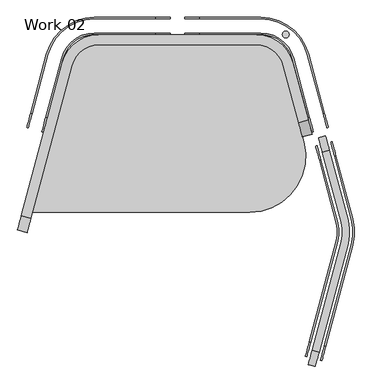
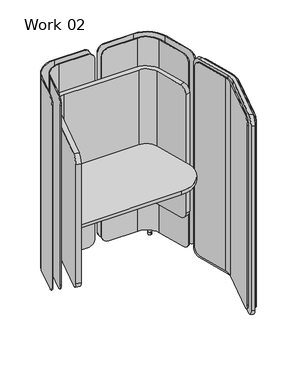
"""IFC4 building model written with IfcOpenShell, lengths in millimetres: furniture geometry, Work 02."""

from ifc_helpers import new_model, si_unit, point, frame, frame_2d, origin, origin_with_axes, place, context, project, spatial, polyline, circle_curve, trimmed, segment, composite_curve, outline, extrude, source, transform, mapped, element, save
from ifc_brep_helpers import plane_surface, cylinder_surface, revolved_surface, advanced_brep


def work_02_071806c3(model_context):
    return source(origin(), model_context, "Body", "SolidModel", [
        extrude(outline(composite_curve([segment(polyline([(847.7840541, -663.0), (108.5618328, -663.0), (242.3763331, -163.597486)]), True, "CONTINUOUS"), segment(trimmed(circle_curve(frame_2d((334.3807681, -188.25)), 95.25), [point((242.3763331, -163.597486))], [point((334.3807681, -93.0))], False, "CARTESIAN"), True, "CONTINUOUS"), segment(polyline([(334.3807681, -93.0), (870.2295523, -93.0)]), True, "CONTINUOUS"), segment(trimmed(circle_curve(frame_2d((870.2295523, -188.25)), 95.25), [point((870.2295523, -93.0))], [point((962.2339873, -163.597486))], False, "CARTESIAN"), True, "CONTINUOUS"), segment(polyline([(962.2339873, -163.597486), (1031.792924, -423.1949719)]), True, "CONTINUOUS"), segment(trimmed(circle_curve(frame_2d((847.7840541, -472.5)), 190.5), [point((1031.792924, -423.1949719))], [point((847.7840541, -663.0))], False, "CARTESIAN"), True, "CONTINUOUS")], self_intersect=False)), frame((0.0, 0.0, 705.0), z_axis=(0.0, 0.0, 1.0), x_axis=(1.0, 0.0, 0.0)), (0.0, 0.0, 1.0), 25.0),
        advanced_brep(
        [(102.9832503, -683.8195534, 1295.0), (90.042298, -732.1158447, 1245.0), (90.042298, -732.1158447, 345.0), (102.9832503, -683.8195534, 295.0), (242.3763331, -163.597486, 295.0), (242.3763331, -163.597486, 1295.0), (70.1417722, -675.0197058, 295.0), (57.2008199, -723.3159972, 345.0), (57.2008199, -723.3159972, 1245.0), (70.1417722, -675.0197058, 1295.0), (209.5845047, -154.6123432, 1295.0), (209.5845047, -154.6123432, 295.0), (334.3807681, -93.0, 1295.0), (870.2295523, -93.0, 1295.0), (962.2339873, -163.597486, 1295.0), (1014.2639422, -357.7759213, 1295.0), (1047.1054203, -348.9760738, 1295.0), (995.0258157, -154.6123432, 1295.0), (870.4213841, -59.0, 1295.0), (334.1889363, -59.0, 1295.0), (334.1889363, -59.0, 295.0), (557.3827236, -59.0, 295.0), (557.3827236, -93.0, 295.0), (334.3807681, -93.0, 295.0), (577.7027236, -93.0, 315.32), (577.7027236, -93.0, 635.0), (627.7027236, -93.0, 635.0), (627.7027236, -93.0, 315.32), (648.0227236, -93.0, 295.0), (870.2295523, -93.0, 295.0), (870.4213841, -59.0, 295.0), (648.0227236, -59.0, 295.0), (627.7027236, -59.0, 315.32), (627.7027236, -59.0, 635.0), (577.7027236, -59.0, 635.0), (577.7027236, -59.0, 315.32), (995.0258157, -154.6123432, 295.0), (1047.1054203, -348.9760738, 295.0), (1014.2639422, -357.7759213, 295.0), (962.2339873, -163.597486, 295.0), (1027.2048945, -406.0722126, 345.0), (1027.2048945, -406.0722126, 1245.0), (1060.0463726, -397.2723651, 1245.0), (1060.0463726, -397.2723651, 345.0)],
        [
            (0, 1, circle_curve(frame((102.9832503, -683.8195534, 1245.0), z_axis=(0.9659258262896977, -0.25881904510017184, 0.0), x_axis=(-0.25881904510017184, -0.9659258262896977, 0.0)), 50.0)),
            (1, 2),
            (2, 3, circle_curve(frame((102.9832503, -683.8195534, 345.0), z_axis=(0.9659258262896977, -0.25881904510017184, 0.0), x_axis=(-0.25881904510017184, -0.9659258262896977, 0.0)), 50.0)),
            (3, 4),
            (4, 5),
            (5, 0),
            (6, 7, circle_curve(frame((70.1417722, -675.0197058, 345.0), z_axis=(-0.9659258262896977, 0.25881904510017184, 0.0), x_axis=(-0.25881904510017184, -0.9659258262896977, 0.0)), 50.0)),
            (7, 8),
            (8, 9, circle_curve(frame((70.1417722, -675.0197058, 1245.0), z_axis=(-0.9659258262896977, 0.25881904510017184, 0.0), x_axis=(-0.25881904510017184, -0.9659258262896977, 0.0)), 50.0)),
            (9, 10),
            (10, 11),
            (11, 6),
            (9, 0),
            (5, 12, circle_curve(frame((334.3807681, -188.25, 1295.0), z_axis=(0.0, 0.0, -1.0), x_axis=(1.0, 0.0, 0.0)), 95.25)),
            (12, 13),
            (13, 14, circle_curve(frame((870.2295523, -188.25, 1295.0), z_axis=(0.0, 0.0, -1.0), x_axis=(-1.0, 0.0, 0.0)), 95.25)),
            (14, 15),
            (15, 16),
            (16, 17),
            (17, 18, circle_curve(frame((870.4213841, -188.0, 1295.0), z_axis=(0.0, 0.0, 1.0), x_axis=(-1.0, 0.0, 0.0)), 129.0)),
            (18, 19),
            (19, 10, circle_curve(frame((334.1889363, -188.0, 1295.0), z_axis=(0.0, 0.0, 1.0), x_axis=(1.0, 0.0, 0.0)), 129.0)),
            (8, 1),
            (7, 2),
            (6, 3),
            (11, 20, circle_curve(frame((334.1889363, -188.0, 295.0), z_axis=(0.0, 0.0, -1.0), x_axis=(1.0, 0.0, 0.0)), 129.0)),
            (20, 21),
            (21, 22),
            (22, 23),
            (23, 4, circle_curve(frame((334.3807681, -188.25, 295.0), z_axis=(0.0, 0.0, 1.0), x_axis=(1.0, 0.0, 0.0)), 95.25)),
            (23, 12),
            (22, 24, circle_curve(frame((557.3827236, -93.0, 315.32), z_axis=(0.0, -1.0, 0.0), x_axis=(1.0, 0.0, 0.0)), 20.32)),
            (24, 25),
            (25, 26, circle_curve(frame((602.7027236, -93.0, 635.0), z_axis=(0.0, 1.0, 0.0), x_axis=(1.0, 0.0, 0.0)), 25.0)),
            (26, 27),
            (27, 28, circle_curve(frame((648.0227236, -93.0, 315.32), z_axis=(0.0, -1.0, 0.0), x_axis=(1.0, 0.0, 0.0)), 20.32)),
            (28, 29),
            (29, 13),
            (20, 19),
            (18, 30),
            (30, 31),
            (31, 32, circle_curve(frame((648.0227236, -59.0, 315.32), z_axis=(0.0, 1.0, 0.0), x_axis=(1.0, 0.0, 0.0)), 20.32)),
            (32, 33),
            (33, 34, circle_curve(frame((602.7027236, -59.0, 635.0), z_axis=(0.0, -1.0, 0.0), x_axis=(1.0, 0.0, 0.0)), 25.0)),
            (34, 35),
            (35, 21, circle_curve(frame((557.3827236, -59.0, 315.32), z_axis=(0.0, 1.0, 0.0), x_axis=(1.0, 0.0, 0.0)), 20.32)),
            (35, 24),
            (34, 25),
            (33, 26),
            (32, 27),
            (31, 28),
            (30, 36, circle_curve(frame((870.4213841, -188.0, 295.0), z_axis=(0.0, 0.0, -1.0), x_axis=(-1.0, 0.0, 0.0)), 129.0)),
            (36, 37),
            (37, 38),
            (38, 39),
            (39, 29, circle_curve(frame((870.2295523, -188.25, 295.0), z_axis=(0.0, 0.0, 1.0), x_axis=(-1.0, 0.0, 0.0)), 95.25)),
            (14, 39),
            (38, 40, circle_curve(frame((1014.2639422, -357.7759213, 345.0), z_axis=(-0.9659258262896977, -0.25881904510017184, 0.0), x_axis=(0.25881904510017184, -0.9659258262896977, 0.0)), 50.0)),
            (40, 41),
            (41, 15, circle_curve(frame((1014.2639422, -357.7759213, 1245.0), z_axis=(-0.9659258262896977, -0.25881904510017184, 0.0), x_axis=(0.25881904510017184, -0.9659258262896977, 0.0)), 50.0)),
            (17, 36),
            (16, 42, circle_curve(frame((1047.1054203, -348.9760738, 1245.0), z_axis=(0.9659258262896977, 0.25881904510017184, 0.0), x_axis=(0.25881904510017184, -0.9659258262896977, 0.0)), 50.0)),
            (42, 43),
            (43, 37, circle_curve(frame((1047.1054203, -348.9760738, 345.0), z_axis=(0.9659258262896977, 0.25881904510017184, 0.0), x_axis=(0.25881904510017184, -0.9659258262896977, 0.0)), 50.0)),
            (41, 42),
            (40, 43),
        ],
        [
            plane_surface(frame((102.9832503, -683.8195534, 1295.0), z_axis=(0.9659258262896978, -0.25881904510017184, 0.0), x_axis=(-0.25881904510017184, -0.9659258262896978, 0.0))),
            plane_surface(frame((70.1417722, -675.0197058, 1295.0), z_axis=(-0.9659258262896978, 0.25881904510017184, 0.0), x_axis=(0.25881904510017184, 0.9659258262896978, 0.0))),
            plane_surface(frame((108.066369, -664.8490962, 1295.0), z_axis=(0.0, 0.0, 1.0), x_axis=(-0.9659258262896979, 0.2588190451001711, 0.0))),
            cylinder_surface(frame((70.1417722, -675.0197058, 1245.0), z_axis=(0.9659258262896977, -0.25881904510017184, 0.0), x_axis=(-0.25881904510017184, -0.9659258262896977, 0.0)), 50.0),
            plane_surface(frame((90.042298, -732.1158447, 1245.0), z_axis=(-0.2588190451001711, -0.9659258262896979, 0.0), x_axis=(-0.9659258262896979, 0.2588190451001711, 0.0))),
            cylinder_surface(frame((70.1417722, -675.0197058, 345.0), z_axis=(0.9659258262896977, -0.25881904510017184, 0.0), x_axis=(-0.25881904510017184, -0.9659258262896977, 0.0)), 50.0),
            plane_surface(frame((102.9832503, -683.8195534, 295.0), z_axis=(0.0, 0.0, -1.0), x_axis=(-0.9659258262896979, 0.2588190451001711, 0.0))),
            revolved_surface(polyline([(429.6307681, -188.25, 295.0), (429.6307681, -188.25, 1295.0)]), (334.3807681, -188.25, 295.0), (0.0, 0.0, -1.0)),
            plane_surface(frame((334.3807681, -93.0, 1295.0), z_axis=(0.0, -1.0, 0.0), x_axis=(0.0, 0.0, -1.0))),
            plane_surface(frame((454.8389363, -59.0, 1295.0), z_axis=(0.0, 1.0, 0.0), x_axis=(0.0, 0.0, -1.0))),
            cylinder_surface(frame((334.1889363, -188.0, 295.0), z_axis=(0.0, 0.0, 1.0), x_axis=(1.0, 0.0, 0.0)), 129.0),
            cylinder_surface(frame((557.3827236, -59.0, 315.32), z_axis=(0.0, -1.0, 0.0), x_axis=(1.0, 0.0, 0.0)), 20.32),
            plane_surface(frame((577.7027236, -93.0, 315.32), z_axis=(1.0, 0.0, 0.0), x_axis=(0.0, 1.0, 0.0))),
            revolved_surface(polyline([(627.7027236, -59.0, 635.0), (627.7027236, -93.0, 635.0)]), (602.7027236, -59.0, 635.0), (0.0, 1.0, 0.0)),
            plane_surface(frame((627.7027236, -93.0, 635.0), z_axis=(-1.0, 0.0, 0.0), x_axis=(0.0, 1.0, 0.0))),
            cylinder_surface(frame((648.0227236, -59.0, 315.32), z_axis=(0.0, -1.0, 0.0), x_axis=(1.0, 0.0, 0.0)), 20.32),
            plane_surface(frame((648.0227236, -93.0, 295.0), z_axis=(0.0, 0.0, -1.0), x_axis=(0.0, 1.0, 0.0))),
            plane_surface(frame((962.2339873, -163.597486, 1295.0), z_axis=(-0.9659258262890684, -0.2588190451025206, 0.0), x_axis=(0.0, 0.0, -1.0))),
            revolved_surface(polyline([(774.9795523, -188.25, 295.0), (774.9795523, -188.25, 1295.0)]), (870.2295523, -188.25, 295.0), (0.0, 0.0, -1.0)),
            cylinder_surface(frame((870.4213841, -188.0, 295.0), z_axis=(0.0, 0.0, 1.0), x_axis=(-1.0, 0.0, 0.0)), 129.0),
            plane_surface(frame((1042.0223016, -330.0056166, 1295.0), z_axis=(0.965925826289069, 0.2588190451025183, 0.0), x_axis=(0.0, 0.0, -1.0))),
            cylinder_surface(frame((1047.1054203, -348.9760738, 1245.0), z_axis=(-0.9659258262896977, -0.25881904510017184, 0.0), x_axis=(0.25881904510017184, -0.9659258262896977, 0.0)), 50.0),
            plane_surface(frame((1027.2048945, -406.0722126, 345.0), z_axis=(0.2588190451001715, -0.9659258262896979, 0.0), x_axis=(0.9659258262896979, 0.2588190451001715, 0.0))),
            cylinder_surface(frame((1047.1054203, -348.9760738, 345.0), z_axis=(-0.9659258262896977, -0.25881904510017184, 0.0), x_axis=(0.25881904510017184, -0.9659258262896977, 0.0)), 50.0),
        ],
        [
            (0, [[1, 2, 3, 4, 5, 6]]),
            (1, [[7, 8, 9, 10, 11, 12]]),
            (2, [[13, -6, 14, 15, 16, 17, 18, 19, 20, 21, 22, -10]]),
            (3, [[-1, -13, -9, 23]]),
            (4, [[-2, -23, -8, 24]]),
            (5, [[-3, -24, -7, 25]]),
            (6, [[-25, -12, 26, 27, 28, 29, 30, -4]]),
            (7, [[-14, -5, -30, 31]]),
            (8, [[-31, -29, 32, 33, 34, 35, 36, 37, 38, -15]]),
            (9, [[39, -21, 40, 41, 42, 43, 44, 45, 46, -27]]),
            (10, [[-22, -39, -26, -11]]),
            (11, [[-32, -28, -46, 47]]),
            (12, [[-33, -47, -45, 48]]),
            (13, [[-34, -48, -44, 49]]),
            (14, [[-35, -49, -43, 50]]),
            (15, [[-36, -50, -42, 51]]),
            (16, [[-51, -41, 52, 53, 54, 55, 56, -37]]),
            (17, [[-17, 57, -55, 58, 59, 60]]),
            (18, [[-16, -38, -56, -57]]),
            (19, [[-20, 61, -52, -40]]),
            (20, [[-19, 62, 63, 64, -53, -61]]),
            (21, [[-60, 65, -62, -18]]),
            (22, [[-59, 66, -63, -65]]),
            (23, [[-58, -54, -64, -66]]),
        ],
    ),
        extrude(outline(composite_curve([segment(trimmed(circle_curve(frame_2d((970.6247603, -57.9305324)), 11.5), [point((970.6247603, -46.4305324))], [point((970.6247603, -69.4305324))], False, "CARTESIAN"), True, "CONTINUOUS"), segment(trimmed(circle_curve(frame_2d((970.6247603, -57.9305324)), 11.5), [point((970.6247603, -69.4305324))], [point((970.6247603, -46.4305324))], False, "CARTESIAN"), True, "CONTINUOUS")], self_intersect=False)), origin_with_axes(), (0.0, 0.0, 1.0), 20.0),
        advanced_brep(
        [(1147.4532712, -761.9652523, 1510.0), (1147.4532712, -698.8134053, 1510.0), (1090.3338996, -485.6410083, 1510.0), (1085.5042705, -486.9351036, 1510.0), (1142.6236421, -700.1075005, 1510.0), (1142.6236421, -760.671157, 1510.0), (1050.5636994, -1104.2435405, 1510.0), (1055.3933285, -1105.5376357, 1510.0), (1142.6236421, -760.671157, 50.0), (1142.6236421, -700.1075005, 50.0), (1085.5042705, -486.9351036, 50.0), (1090.3338996, -485.6410083, 50.0), (1147.4532712, -698.8134053, 50.0), (1147.4532712, -761.9652523, 50.0), (1055.3933285, -1105.5376357, 50.0), (1050.5636994, -1104.2435405, 50.0), (1037.4156919, -1153.3125725, 100.8), (1037.4156919, -1153.3125725, 1459.2), (1072.356263, -437.8660716, 1459.2), (1072.356263, -437.8660716, 100.8), (1077.1858921, -436.5719764, 100.8), (1077.1858921, -436.5719764, 1459.2), (1042.245321, -1154.6066677, 1459.2), (1042.245321, -1154.6066677, 100.8)],
        [
            (0, 1, circle_curve(frame((1029.6103204, -730.3893288, 1510.0), z_axis=(0.0, 0.0, 1.0), x_axis=(-1.0, 0.0, 0.0)), 122.0)),
            (1, 2),
            (2, 3),
            (3, 4),
            (4, 5, circle_curve(frame((1029.6103204, -730.3893288, 1510.0), z_axis=(0.0, 0.0, -1.0), x_axis=(-1.0, 0.0, 0.0)), 117.0)),
            (5, 6),
            (6, 7),
            (7, 0),
            (8, 9, circle_curve(frame((1029.6103204, -730.3893288, 50.0), z_axis=(0.0, 0.0, 1.0), x_axis=(-1.0, 0.0, 0.0)), 117.0)),
            (9, 10),
            (10, 11),
            (11, 12),
            (12, 13, circle_curve(frame((1029.6103204, -730.3893288, 50.0), z_axis=(0.0, 0.0, -1.0), x_axis=(-1.0, 0.0, 0.0)), 122.0)),
            (13, 14),
            (14, 15),
            (15, 8),
            (5, 8),
            (15, 16, circle_curve(frame((1050.5636994, -1104.2435405, 100.8), z_axis=(-0.9659258262890695, 0.25881904510251647, 0.0), x_axis=(0.25881904510251647, 0.9659258262890695, 0.0)), 50.8)),
            (16, 17),
            (17, 6, circle_curve(frame((1050.5636994, -1104.2435405, 1459.2), z_axis=(-0.9659258262890695, 0.25881904510251647, 0.0), x_axis=(0.25881904510251647, 0.9659258262890695, 0.0)), 50.8)),
            (4, 9),
            (3, 18, circle_curve(frame((1085.5042705, -486.9351036, 1459.2), z_axis=(-0.9659258262890681, -0.2588190451025218, 0.0), x_axis=(0.2588190451025218, -0.9659258262890681, 0.0)), 50.8)),
            (18, 19),
            (19, 10, circle_curve(frame((1085.5042705, -486.9351036, 100.8), z_axis=(-0.9659258262890681, -0.2588190451025218, 0.0), x_axis=(0.2588190451025218, -0.9659258262890681, 0.0)), 50.8)),
            (1, 12),
            (11, 20, circle_curve(frame((1090.3338996, -485.6410083, 100.8), z_axis=(0.9659258262890681, 0.2588190451025218, 0.0), x_axis=(0.2588190451025218, -0.9659258262890681, 0.0)), 50.8)),
            (20, 21),
            (21, 2, circle_curve(frame((1090.3338996, -485.6410083, 1459.2), z_axis=(0.9659258262890681, 0.2588190451025218, 0.0), x_axis=(0.2588190451025218, -0.9659258262890681, 0.0)), 50.8)),
            (0, 13),
            (7, 22, circle_curve(frame((1055.3933285, -1105.5376357, 1459.2), z_axis=(0.9659258262890695, -0.25881904510251647, 0.0), x_axis=(0.25881904510251647, 0.9659258262890695, 0.0)), 50.8)),
            (22, 23),
            (23, 14, circle_curve(frame((1055.3933285, -1105.5376357, 100.8), z_axis=(0.9659258262890695, -0.25881904510251647, 0.0), x_axis=(0.25881904510251647, 0.9659258262890695, 0.0)), 50.8)),
            (19, 20),
            (21, 18),
            (23, 16),
            (17, 22),
        ],
        [
            plane_surface(frame((1042.245321, -1154.6066677, 1510.0), z_axis=(0.0, 0.0, 1.0000000000000002), x_axis=(0.25881904510384085, 0.9659258262887147, 0.0))),
            plane_surface(frame((1042.245321, -1154.6066677, 50.0), z_axis=(0.0, 0.0, -1.0000000000000002), x_axis=(-0.25881904510384085, -0.9659258262887147, 0.0))),
            plane_surface(frame((1142.6236421, -760.671157, 1510.0), z_axis=(-0.9659258262887147, 0.2588190451038404, 0.0), x_axis=(0.0, 0.0, -1.0))),
            revolved_surface(polyline([(912.6103204000001, -730.3893288, 50.0), (912.6103204000001, -730.3893288, 1510.0)]), (1029.6103204, -730.3893288, 50.0), (0.0, 0.0, -1.0)),
            plane_surface(frame((1095.3627005, -523.7272655, 1510.0), z_axis=(-0.9659258262894252, -0.2588190451011891, 0.0), x_axis=(0.0, 0.0, -1.0))),
            plane_surface(frame((1147.4532712, -698.8134053, 1510.0), z_axis=(0.9659258262894252, 0.25881904510118886, 0.0), x_axis=(0.0, 0.0, -1.0))),
            cylinder_surface(frame((1029.6103204, -730.3893288, 50.0), z_axis=(0.0, 0.0, 1.0), x_axis=(-1.0, 0.0, 0.0)), 122.0),
            plane_surface(frame((1065.2517586, -1068.7454738, 1510.0), z_axis=(0.9659258262887147, -0.25881904510384085, 0.0), x_axis=(0.0, 0.0, -1.0))),
            cylinder_surface(frame((1085.5042705, -486.9351036, 100.8), z_axis=(0.9659258262890681, 0.2588190451025218, 0.0), x_axis=(0.2588190451025218, -0.9659258262890681, 0.0)), 50.8),
            cylinder_surface(frame((1085.5042705, -486.9351036, 1459.2), z_axis=(0.9659258262890681, 0.2588190451025218, 0.0), x_axis=(0.2588190451025218, -0.9659258262890681, 0.0)), 50.8),
            plane_surface(frame((1077.1858921, -436.5719764, 100.8), z_axis=(-0.25881904510251935, 0.9659258262890688, 0.0), x_axis=(-0.9659258262890688, -0.25881904510251935, 0.0))),
            cylinder_surface(frame((1050.5636994, -1104.2435405, 100.8), z_axis=(0.9659258262890695, -0.25881904510251647, 0.0), x_axis=(0.25881904510251647, 0.9659258262890695, 0.0)), 50.8),
            cylinder_surface(frame((1050.5636994, -1104.2435405, 1459.2), z_axis=(0.9659258262890695, -0.25881904510251647, 0.0), x_axis=(0.25881904510251647, 0.9659258262890695, 0.0)), 50.8),
            plane_surface(frame((1042.245321, -1154.6066677, 1459.2), z_axis=(-0.25881904510251935, -0.9659258262890688, 0.0), x_axis=(-0.9659258262890688, 0.25881904510251935, 0.0))),
        ],
        [
            (0, [[1, 2, 3, 4, 5, 6, 7, 8]]),
            (1, [[9, 10, 11, 12, 13, 14, 15, 16]]),
            (2, [[-6, 17, -16, 18, 19, 20]]),
            (3, [[-5, 21, -9, -17]]),
            (4, [[-21, -4, 22, 23, 24, -10]]),
            (5, [[25, -12, 26, 27, 28, -2]]),
            (6, [[-1, 29, -13, -25]]),
            (7, [[-8, 30, 31, 32, -14, -29]]),
            (8, [[-26, -11, -24, 33]]),
            (9, [[-28, 34, -22, -3]]),
            (10, [[-27, -33, -23, -34]]),
            (11, [[-32, 35, -18, -15]]),
            (12, [[-30, -7, -20, 36]]),
            (13, [[-31, -36, -19, -35]]),
        ],
    ),
        advanced_brep(
        [(1198.64734, -775.6826617, 1510.0), (1198.64734, -685.0959959, 1510.0), (1141.5279684, -471.923599, 1510.0), (1136.6983393, -473.2176942, 1510.0), (1193.8177109, -686.3900911, 1510.0), (1193.8177109, -774.3885664, 1510.0), (1101.7577682, -1117.9609499, 1510.0), (1106.5873973, -1119.2550451, 1510.0), (1193.8177109, -774.3885664, 50.0), (1193.8177109, -686.3900911, 50.0), (1136.6983393, -473.2176942, 50.0), (1141.5279684, -471.923599, 50.0), (1198.64734, -685.0959959, 50.0), (1198.64734, -775.6826617, 50.0), (1106.5873973, -1119.2550451, 50.0), (1101.7577682, -1117.9609499, 50.0), (1088.6097607, -1167.0299819, 100.8), (1088.6097607, -1167.0299819, 1459.2), (1123.5503318, -424.1486622, 1459.2), (1123.5503318, -424.1486622, 100.8), (1128.3799609, -422.854567, 100.8), (1128.3799609, -422.854567, 1459.2), (1093.4393898, -1168.3240771, 1459.2), (1093.4393898, -1168.3240771, 100.8)],
        [
            (0, 1, circle_curve(frame((1029.6103204, -730.3893288, 1510.0), z_axis=(0.0, 0.0, 1.0), x_axis=(-1.0, 0.0, 0.0)), 175.0)),
            (1, 2),
            (2, 3),
            (3, 4),
            (4, 5, circle_curve(frame((1029.6103204, -730.3893288, 1510.0), z_axis=(0.0, 0.0, -1.0), x_axis=(-1.0, 0.0, 0.0)), 170.0)),
            (5, 6),
            (6, 7),
            (7, 0),
            (8, 9, circle_curve(frame((1029.6103204, -730.3893288, 50.0), z_axis=(0.0, 0.0, 1.0), x_axis=(-1.0, 0.0, 0.0)), 170.0)),
            (9, 10),
            (10, 11),
            (11, 12),
            (12, 13, circle_curve(frame((1029.6103204, -730.3893288, 50.0), z_axis=(0.0, 0.0, -1.0), x_axis=(-1.0, 0.0, 0.0)), 175.0)),
            (13, 14),
            (14, 15),
            (15, 8),
            (5, 8),
            (15, 16, circle_curve(frame((1101.7577682, -1117.9609499, 100.8), z_axis=(-0.9659258262890695, 0.25881904510251647, 0.0), x_axis=(0.25881904510251647, 0.9659258262890695, 0.0)), 50.8)),
            (16, 17),
            (17, 6, circle_curve(frame((1101.7577682, -1117.9609499, 1459.2), z_axis=(-0.9659258262890695, 0.25881904510251647, 0.0), x_axis=(0.25881904510251647, 0.9659258262890695, 0.0)), 50.8)),
            (4, 9),
            (3, 18, circle_curve(frame((1136.6983393, -473.2176942, 1459.2), z_axis=(-0.9659258262890681, -0.2588190451025218, 0.0), x_axis=(0.2588190451025218, -0.9659258262890681, 0.0)), 50.8)),
            (18, 19),
            (19, 10, circle_curve(frame((1136.6983393, -473.2176942, 100.8), z_axis=(-0.9659258262890681, -0.2588190451025218, 0.0), x_axis=(0.2588190451025218, -0.9659258262890681, 0.0)), 50.8)),
            (1, 12),
            (11, 20, circle_curve(frame((1141.5279684, -471.923599, 100.8), z_axis=(0.9659258262890681, 0.2588190451025218, 0.0), x_axis=(0.2588190451025218, -0.9659258262890681, 0.0)), 50.8)),
            (20, 21),
            (21, 2, circle_curve(frame((1141.5279684, -471.923599, 1459.2), z_axis=(0.9659258262890681, 0.2588190451025218, 0.0), x_axis=(0.2588190451025218, -0.9659258262890681, 0.0)), 50.8)),
            (0, 13),
            (7, 22, circle_curve(frame((1106.5873973, -1119.2550451, 1459.2), z_axis=(0.9659258262890695, -0.25881904510251647, 0.0), x_axis=(0.25881904510251647, 0.9659258262890695, 0.0)), 50.8)),
            (22, 23),
            (23, 14, circle_curve(frame((1106.5873973, -1119.2550451, 100.8), z_axis=(0.9659258262890695, -0.25881904510251647, 0.0), x_axis=(0.25881904510251647, 0.9659258262890695, 0.0)), 50.8)),
            (19, 20),
            (21, 18),
            (23, 16),
            (17, 22),
        ],
        [
            plane_surface(frame((1093.4393898, -1168.3240771, 1510.0), z_axis=(0.0, 0.0, 1.0), x_axis=(0.25881904510384074, 0.9659258262887146, 0.0))),
            plane_surface(frame((1093.4393898, -1168.3240771, 50.0), z_axis=(0.0, 0.0, -1.0), x_axis=(-0.25881904510384074, -0.9659258262887146, 0.0))),
            plane_surface(frame((1193.8177109, -774.3885664, 1510.0), z_axis=(-0.9659258262887148, 0.25881904510384024, 0.0), x_axis=(0.0, 0.0, -1.0))),
            revolved_surface(polyline([(859.6103204000001, -730.3893288, 50.0), (859.6103204000001, -730.3893288, 1510.0)]), (1029.6103204, -730.3893288, 50.0), (0.0, 0.0, -1.0)),
            plane_surface(frame((1146.5567693, -510.0098561, 1510.0), z_axis=(-0.9659258262894251, -0.25881904510118914, 0.0), x_axis=(0.0, 0.0, -1.0))),
            plane_surface(frame((1198.64734, -685.0959959, 1510.0), z_axis=(0.9659258262894252, 0.2588190451011886, 0.0), x_axis=(0.0, 0.0, -1.0))),
            cylinder_surface(frame((1029.6103204, -730.3893288, 50.0), z_axis=(0.0, 0.0, 1.0), x_axis=(-1.0, 0.0, 0.0)), 175.0),
            plane_surface(frame((1116.4458274, -1082.4628832, 1510.0), z_axis=(0.9659258262887146, -0.25881904510384074, 0.0), x_axis=(0.0, 0.0, -1.0))),
            cylinder_surface(frame((1136.6983393, -473.2176942, 100.8), z_axis=(0.9659258262890681, 0.2588190451025218, 0.0), x_axis=(0.2588190451025218, -0.9659258262890681, 0.0)), 50.8),
            cylinder_surface(frame((1136.6983393, -473.2176942, 1459.2), z_axis=(0.9659258262890681, 0.2588190451025218, 0.0), x_axis=(0.2588190451025218, -0.9659258262890681, 0.0)), 50.8),
            plane_surface(frame((1128.3799609, -422.854567, 100.8), z_axis=(-0.258819045102527, 0.9659258262890666, 0.0), x_axis=(-0.9659258262890666, -0.258819045102527, 0.0))),
            cylinder_surface(frame((1101.7577682, -1117.9609499, 100.8), z_axis=(0.9659258262890695, -0.25881904510251647, 0.0), x_axis=(0.25881904510251647, 0.9659258262890695, 0.0)), 50.8),
            cylinder_surface(frame((1101.7577682, -1117.9609499, 1459.2), z_axis=(0.9659258262890695, -0.25881904510251647, 0.0), x_axis=(0.25881904510251647, 0.9659258262890695, 0.0)), 50.8),
            plane_surface(frame((1093.4393898, -1168.3240771, 1459.2), z_axis=(-0.2588190451025144, -0.9659258262890701, 0.0), x_axis=(-0.9659258262890701, 0.2588190451025144, 0.0))),
        ],
        [
            (0, [[1, 2, 3, 4, 5, 6, 7, 8]]),
            (1, [[9, 10, 11, 12, 13, 14, 15, 16]]),
            (2, [[-6, 17, -16, 18, 19, 20]]),
            (3, [[-5, 21, -9, -17]]),
            (4, [[-21, -4, 22, 23, 24, -10]]),
            (5, [[25, -12, 26, 27, 28, -2]]),
            (6, [[-1, 29, -13, -25]]),
            (7, [[-8, 30, 31, 32, -14, -29]]),
            (8, [[-26, -11, -24, 33]]),
            (9, [[-28, 34, -22, -3]]),
            (10, [[-27, -33, -23, -34]]),
            (11, [[-32, 35, -18, -15]]),
            (12, [[-30, -7, -20, 36]]),
            (13, [[-31, -36, -19, -35]]),
        ],
    ),
        advanced_brep(
        [(885.3981602, -5.0, 1510.0), (1043.8099957, -126.5536766, 1510.0), (1097.461372, -326.7833389, 1510.0), (1102.2910012, -325.4892437, 1510.0), (1048.6396248, -125.2595814, 1510.0), (885.3981602, 0.0, 1510.0), (678.1051602, 0.0, 1510.0), (678.1051602, -5.0, 1510.0), (885.3981602, 0.0, 50.0), (1048.6396248, -125.2595814, 50.0), (1102.2910012, -325.4892437, 50.0), (1097.461372, -326.7833389, 50.0), (1043.8099957, -126.5536766, 50.0), (885.3981602, -5.0, 50.0), (678.1051602, -5.0, 50.0), (678.1051602, 0.0, 50.0), (627.3051602, 0.0, 100.8), (627.3051602, 0.0, 1459.2), (1115.4390086, -374.5582757, 1459.2), (1115.4390086, -374.5582757, 100.8), (1110.6093795, -375.8523709, 100.8), (1110.6093795, -375.8523709, 1459.2), (627.3051602, -5.0, 1459.2), (627.3051602, -5.0, 100.8)],
        [
            (0, 1, circle_curve(frame((885.3981602, -169.0, 1510.0), z_axis=(0.0, 0.0, -1.0), x_axis=(-1.0, 0.0, 0.0)), 164.0)),
            (1, 2),
            (2, 3),
            (3, 4),
            (4, 5, circle_curve(frame((885.3981602, -169.0, 1510.0), z_axis=(0.0, 0.0, 1.0), x_axis=(-1.0, 0.0, 0.0)), 169.0)),
            (5, 6),
            (6, 7),
            (7, 0),
            (8, 9, circle_curve(frame((885.3981602, -169.0, 50.0), z_axis=(0.0, 0.0, -1.0), x_axis=(-1.0, 0.0, 0.0)), 169.0)),
            (9, 10),
            (10, 11),
            (11, 12),
            (12, 13, circle_curve(frame((885.3981602, -169.0, 50.0), z_axis=(0.0, 0.0, 1.0), x_axis=(-1.0, 0.0, 0.0)), 164.0)),
            (13, 14),
            (14, 15),
            (15, 8),
            (5, 8),
            (15, 16, circle_curve(frame((678.1051602, 0.0, 100.8), z_axis=(0.0, 1.0, 0.0), x_axis=(-1.0, 0.0, 0.0)), 50.8)),
            (16, 17),
            (17, 6, circle_curve(frame((678.1051602, 0.0, 1459.2), z_axis=(0.0, 1.0, 0.0), x_axis=(-1.0, 0.0, 0.0)), 50.8)),
            (4, 9),
            (3, 18, circle_curve(frame((1102.2910012, -325.4892437, 1459.2), z_axis=(0.9659258262890678, 0.2588190451025226, 0.0), x_axis=(-0.2588190451025226, 0.9659258262890678, 0.0)), 50.8)),
            (18, 19),
            (19, 10, circle_curve(frame((1102.2910012, -325.4892437, 100.8), z_axis=(0.9659258262890678, 0.2588190451025226, 0.0), x_axis=(-0.2588190451025226, 0.9659258262890678, 0.0)), 50.8)),
            (1, 12),
            (11, 20, circle_curve(frame((1097.461372, -326.7833389, 100.8), z_axis=(-0.9659258262890678, -0.2588190451025226, 0.0), x_axis=(-0.2588190451025226, 0.9659258262890678, 0.0)), 50.8)),
            (20, 21),
            (21, 2, circle_curve(frame((1097.461372, -326.7833389, 1459.2), z_axis=(-0.9659258262890678, -0.2588190451025226, 0.0), x_axis=(-0.2588190451025226, 0.9659258262890678, 0.0)), 50.8)),
            (0, 13),
            (7, 22, circle_curve(frame((678.1051602, -5.0, 1459.2), z_axis=(0.0, -1.0, 0.0), x_axis=(-1.0, 0.0, 0.0)), 50.8)),
            (22, 23),
            (23, 14, circle_curve(frame((678.1051602, -5.0, 100.8), z_axis=(0.0, -1.0, 0.0), x_axis=(-1.0, 0.0, 0.0)), 50.8)),
            (23, 16),
            (22, 17),
            (19, 20),
            (21, 18),
        ],
        [
            plane_surface(frame((885.3981602, -5.0, 1510.0), z_axis=(0.0, 0.0, 1.0), x_axis=(1.0, 0.0, 0.0))),
            plane_surface(frame((885.3981602, -5.0, 50.0), z_axis=(0.0, 0.0, -1.0), x_axis=(-1.0, 0.0, 0.0))),
            plane_surface(frame((885.3981602, 0.0, 1510.0), z_axis=(0.0, 1.0, 0.0), x_axis=(0.0, 0.0, -1.0))),
            cylinder_surface(frame((885.3981602, -169.0, 50.0), z_axis=(0.0, 0.0, 1.0), x_axis=(-1.0, 0.0, 0.0)), 169.0),
            plane_surface(frame((1092.4325711, -288.6970818, 1510.0), z_axis=(0.9659258262890724, 0.2588190451025055, 0.0), x_axis=(0.0, 0.0, -1.0))),
            plane_surface(frame((1043.8099957, -126.5536766, 1510.0), z_axis=(-0.9659258262890731, -0.2588190451025029, 0.0), x_axis=(0.0, 0.0, -1.0))),
            revolved_surface(polyline([(721.3981602, -169.0, 50.0), (721.3981602, -169.0, 1510.0)]), (885.3981602, -169.0, 50.0), (0.0, 0.0, -1.0)),
            plane_surface(frame((702.7051602, -5.0, 1510.0), z_axis=(0.0, -1.0, 0.0), x_axis=(0.0, 0.0, -1.0))),
            cylinder_surface(frame((678.1051602, 0.0, 100.8), z_axis=(0.0, -1.0, 0.0), x_axis=(-1.0, 0.0, 0.0)), 50.8),
            plane_surface(frame((627.3051602, -5.0, 1459.2), z_axis=(-1.0, 0.0, 0.0), x_axis=(0.0, 1.0, 0.0))),
            cylinder_surface(frame((678.1051602, 0.0, 1459.2), z_axis=(0.0, -1.0, 0.0), x_axis=(-1.0, 0.0, 0.0)), 50.8),
            cylinder_surface(frame((1097.461372, -326.7833389, 100.8), z_axis=(0.9659258262890678, 0.2588190451025226, 0.0), x_axis=(-0.2588190451025226, 0.9659258262890678, 0.0)), 50.8),
            cylinder_surface(frame((1097.461372, -326.7833389, 1459.2), z_axis=(0.9659258262890678, 0.2588190451025226, 0.0), x_axis=(-0.2588190451025226, 0.9659258262890678, 0.0)), 50.8),
            plane_surface(frame((1115.4390086, -374.5582757, 1459.2), z_axis=(0.258819045102527, -0.9659258262890666, 0.0), x_axis=(-0.9659258262890666, -0.258819045102527, 0.0))),
        ],
        [
            (0, [[1, 2, 3, 4, 5, 6, 7, 8]]),
            (1, [[9, 10, 11, 12, 13, 14, 15, 16]]),
            (2, [[17, -16, 18, 19, 20, -6]]),
            (3, [[-5, 21, -9, -17]]),
            (4, [[-21, -4, 22, 23, 24, -10]]),
            (5, [[25, -12, 26, 27, 28, -2]]),
            (6, [[-1, 29, -13, -25]]),
            (7, [[-29, -8, 30, 31, 32, -14]]),
            (8, [[-32, 33, -18, -15]]),
            (9, [[-31, 34, -19, -33]]),
            (10, [[-30, -7, -20, -34]]),
            (11, [[-24, 35, -26, -11]]),
            (12, [[-22, -3, -28, 36]]),
            (13, [[-23, -36, -27, -35]]),
        ],
    ),
        advanced_brep(
        [(885.3981602, -58.0, 1510.0), (992.6159269, -140.271086, 1510.0), (1046.2673032, -340.5007483, 1510.0), (1051.0969324, -339.2066531, 1510.0), (997.445556, -138.9769908, 1510.0), (885.3981602, -53.0, 1510.0), (678.1051602, -53.0, 1510.0), (678.1051602, -58.0, 1510.0), (885.3981602, -53.0, 50.0), (997.445556, -138.9769908, 50.0), (1051.0969324, -339.2066531, 50.0), (1046.2673032, -340.5007483, 50.0), (992.6159269, -140.271086, 50.0), (885.3981602, -58.0, 50.0), (678.1051602, -58.0, 50.0), (678.1051602, -53.0, 50.0), (627.3051602, -53.0, 100.8), (627.3051602, -53.0, 1459.2), (1064.2449399, -388.2756851, 1459.2), (1064.2449399, -388.2756851, 100.8), (1059.4153107, -389.5697803, 100.8), (1059.4153107, -389.5697803, 1459.2), (627.3051602, -58.0, 1459.2), (627.3051602, -58.0, 100.8)],
        [
            (0, 1, circle_curve(frame((885.3981602, -169.0, 1510.0), z_axis=(0.0, 0.0, -1.0), x_axis=(-1.0, 0.0, 0.0)), 111.0)),
            (1, 2),
            (2, 3),
            (3, 4),
            (4, 5, circle_curve(frame((885.3981602, -169.0, 1510.0), z_axis=(0.0, 0.0, 1.0), x_axis=(-1.0, 0.0, 0.0)), 116.0)),
            (5, 6),
            (6, 7),
            (7, 0),
            (8, 9, circle_curve(frame((885.3981602, -169.0, 50.0), z_axis=(0.0, 0.0, -1.0), x_axis=(-1.0, 0.0, 0.0)), 116.0)),
            (9, 10),
            (10, 11),
            (11, 12),
            (12, 13, circle_curve(frame((885.3981602, -169.0, 50.0), z_axis=(0.0, 0.0, 1.0), x_axis=(-1.0, 0.0, 0.0)), 111.0)),
            (13, 14),
            (14, 15),
            (15, 8),
            (5, 8),
            (15, 16, circle_curve(frame((678.1051602, -53.0, 100.8), z_axis=(0.0, 1.0, 0.0), x_axis=(-1.0, 0.0, 0.0)), 50.8)),
            (16, 17),
            (17, 6, circle_curve(frame((678.1051602, -53.0, 1459.2), z_axis=(0.0, 1.0, 0.0), x_axis=(-1.0, 0.0, 0.0)), 50.8)),
            (4, 9),
            (3, 18, circle_curve(frame((1051.0969324, -339.2066531, 1459.2), z_axis=(0.9659258262890678, 0.2588190451025226, 0.0), x_axis=(-0.2588190451025226, 0.9659258262890678, 0.0)), 50.8)),
            (18, 19),
            (19, 10, circle_curve(frame((1051.0969324, -339.2066531, 100.8), z_axis=(0.9659258262890678, 0.2588190451025226, 0.0), x_axis=(-0.2588190451025226, 0.9659258262890678, 0.0)), 50.8)),
            (1, 12),
            (11, 20, circle_curve(frame((1046.2673032, -340.5007483, 100.8), z_axis=(-0.9659258262890678, -0.2588190451025226, 0.0), x_axis=(-0.2588190451025226, 0.9659258262890678, 0.0)), 50.8)),
            (20, 21),
            (21, 2, circle_curve(frame((1046.2673032, -340.5007483, 1459.2), z_axis=(-0.9659258262890678, -0.2588190451025226, 0.0), x_axis=(-0.2588190451025226, 0.9659258262890678, 0.0)), 50.8)),
            (0, 13),
            (7, 22, circle_curve(frame((678.1051602, -58.0, 1459.2), z_axis=(0.0, -1.0, 0.0), x_axis=(-1.0, 0.0, 0.0)), 50.8)),
            (22, 23),
            (23, 14, circle_curve(frame((678.1051602, -58.0, 100.8), z_axis=(0.0, -1.0, 0.0), x_axis=(-1.0, 0.0, 0.0)), 50.8)),
            (23, 16),
            (22, 17),
            (19, 20),
            (21, 18),
        ],
        [
            plane_surface(frame((885.3981602, -5.0, 1510.0), z_axis=(0.0, 0.0, 1.0), x_axis=(1.0, 0.0, 0.0))),
            plane_surface(frame((885.3981602, -5.0, 50.0), z_axis=(0.0, 0.0, -1.0), x_axis=(-1.0, 0.0, 0.0))),
            plane_surface(frame((885.3981602, -53.0, 1510.0), z_axis=(0.0, 1.0, 0.0), x_axis=(0.0, 0.0, -1.0))),
            cylinder_surface(frame((885.3981602, -169.0, 0.0), z_axis=(0.0, 0.0, 1.0), x_axis=(-1.0, 0.0, 0.0)), 116.0),
            plane_surface(frame((1041.2385023, -302.4144912, 1510.0), z_axis=(0.965925826289071, 0.2588190451025111, 0.0), x_axis=(0.0, 0.0, -1.0))),
            plane_surface(frame((992.6159269, -140.271086, 1510.0), z_axis=(-0.965925826289071, -0.25881904510251097, 0.0), x_axis=(0.0, 0.0, -1.0))),
            revolved_surface(polyline([(774.3981602, -169.0, 50.0), (774.3981602, -169.0, 1510.0)]), (885.3981602, -169.0, 0.0), (0.0, 0.0, -1.0)),
            plane_surface(frame((702.7051602, -58.0, 1510.0), z_axis=(0.0, -1.0, 0.0), x_axis=(0.0, 0.0, -1.0))),
            cylinder_surface(frame((678.1051602, -53.0, 100.8), z_axis=(0.0, -1.0, 0.0), x_axis=(-1.0, 0.0, 0.0)), 50.8),
            plane_surface(frame((627.3051602, -58.0, 1459.2), z_axis=(-1.0, 0.0, 0.0), x_axis=(0.0, 1.0, 0.0))),
            cylinder_surface(frame((678.1051602, -53.0, 1459.2), z_axis=(0.0, -1.0, 0.0), x_axis=(-1.0, 0.0, 0.0)), 50.8),
            cylinder_surface(frame((1046.2673032, -340.5007483, 100.8), z_axis=(0.9659258262890678, 0.2588190451025226, 0.0), x_axis=(-0.2588190451025226, 0.9659258262890678, 0.0)), 50.8),
            cylinder_surface(frame((1046.2673032, -340.5007483, 1459.2), z_axis=(0.9659258262890678, 0.2588190451025226, 0.0), x_axis=(-0.2588190451025226, 0.9659258262890678, 0.0)), 50.8),
            plane_surface(frame((1064.2449399, -388.2756851, 1459.2), z_axis=(0.25881904510253195, -0.9659258262890653, 0.0), x_axis=(-0.9659258262890653, -0.25881904510253195, 0.0))),
        ],
        [
            (0, [[1, 2, 3, 4, 5, 6, 7, 8]]),
            (1, [[9, 10, 11, 12, 13, 14, 15, 16]]),
            (2, [[17, -16, 18, 19, 20, -6]]),
            (3, [[-5, 21, -9, -17]]),
            (4, [[-4, 22, 23, 24, -10, -21]]),
            (5, [[-2, 25, -12, 26, 27, 28]]),
            (6, [[-1, 29, -13, -25]]),
            (7, [[-29, -8, 30, 31, 32, -14]]),
            (8, [[-32, 33, -18, -15]]),
            (9, [[-31, 34, -19, -33]]),
            (10, [[-30, -7, -20, -34]]),
            (11, [[-24, 35, -26, -11]]),
            (12, [[-22, -3, -28, 36]]),
            (13, [[-23, -36, -27, -35]]),
        ],
    ),
        advanced_brep(
        [(319.2121602, 0.0, 1510.0), (155.9706956, -125.2595814, 1510.0), (102.3193192, -325.4892437, 1510.0), (107.1489484, -326.7833389, 1510.0), (160.8003247, -126.5536766, 1510.0), (319.2121602, -5.0, 1510.0), (526.5051602, -5.0, 1510.0), (526.5051602, 0.0, 1510.0), (319.2121602, -5.0, 50.0), (160.8003247, -126.5536766, 50.0), (107.1489484, -326.7833389, 50.0), (102.3193192, -325.4892437, 50.0), (155.9706956, -125.2595814, 50.0), (319.2121602, 0.0, 50.0), (526.5051602, 0.0, 50.0), (526.5051602, -5.0, 50.0), (577.3051602, 0.0, 1459.2), (577.3051602, 0.0, 100.8), (89.1713117, -374.5582757, 100.8), (89.1713117, -374.5582757, 1459.2), (94.0009409, -375.8523709, 1459.2), (94.0009409, -375.8523709, 100.8), (577.3051602, -5.0, 100.8), (577.3051602, -5.0, 1459.2)],
        [
            (0, 1, circle_curve(frame((319.2121602, -169.0, 1510.0), z_axis=(0.0, 0.0, 1.0), x_axis=(1.0, 0.0, 0.0)), 169.0)),
            (1, 2),
            (2, 3),
            (3, 4),
            (4, 5, circle_curve(frame((319.2121602, -169.0, 1510.0), z_axis=(0.0, 0.0, -1.0), x_axis=(1.0, 0.0, 0.0)), 164.0)),
            (5, 6),
            (6, 7),
            (7, 0),
            (8, 9, circle_curve(frame((319.2121602, -169.0, 50.0), z_axis=(0.0, 0.0, 1.0), x_axis=(1.0, 0.0, 0.0)), 164.0)),
            (9, 10),
            (10, 11),
            (11, 12),
            (12, 13, circle_curve(frame((319.2121602, -169.0, 50.0), z_axis=(0.0, 0.0, -1.0), x_axis=(1.0, 0.0, 0.0)), 169.0)),
            (13, 14),
            (14, 15),
            (15, 8),
            (7, 16, circle_curve(frame((526.5051602, 0.0, 1459.2), z_axis=(0.0, 1.0, 0.0), x_axis=(1.0, 0.0, 0.0)), 50.8)),
            (16, 17),
            (17, 14, circle_curve(frame((526.5051602, 0.0, 100.8), z_axis=(0.0, 1.0, 0.0), x_axis=(1.0, 0.0, 0.0)), 50.8)),
            (13, 0),
            (12, 1),
            (11, 18, circle_curve(frame((102.3193192, -325.4892437, 100.8), z_axis=(-0.9659258262896977, 0.25881904510017184, 0.0), x_axis=(-0.25881904510017184, -0.9659258262896977, 0.0)), 50.8)),
            (18, 19),
            (19, 2, circle_curve(frame((102.3193192, -325.4892437, 1459.2), z_axis=(-0.9659258262896977, 0.25881904510017184, 0.0), x_axis=(-0.25881904510017184, -0.9659258262896977, 0.0)), 50.8)),
            (9, 4),
            (3, 20, circle_curve(frame((107.1489484, -326.7833389, 1459.2), z_axis=(0.9659258262896977, -0.25881904510017184, 0.0), x_axis=(-0.25881904510017184, -0.9659258262896977, 0.0)), 50.8)),
            (20, 21),
            (21, 10, circle_curve(frame((107.1489484, -326.7833389, 100.8), z_axis=(0.9659258262896977, -0.25881904510017184, 0.0), x_axis=(-0.25881904510017184, -0.9659258262896977, 0.0)), 50.8)),
            (8, 5),
            (15, 22, circle_curve(frame((526.5051602, -5.0, 100.8), z_axis=(0.0, -1.0, 0.0), x_axis=(1.0, 0.0, 0.0)), 50.8)),
            (22, 23),
            (23, 6, circle_curve(frame((526.5051602, -5.0, 1459.2), z_axis=(0.0, -1.0, 0.0), x_axis=(1.0, 0.0, 0.0)), 50.8)),
            (21, 18),
            (20, 19),
            (17, 22),
            (16, 23),
        ],
        [
            plane_surface(frame((501.9051602, 0.0, 1510.0), z_axis=(0.0, 0.0, 1.0), x_axis=(0.0, 1.0, 0.0))),
            plane_surface(frame((501.9051602, 0.0, 50.0), z_axis=(0.0, 0.0, -1.0), x_axis=(0.0, -1.0, 0.0))),
            plane_surface(frame((501.9051602, 0.0, 1510.0), z_axis=(0.0, 1.0, 0.0), x_axis=(0.0, 0.0, -1.0))),
            cylinder_surface(frame((319.2121602, -169.0, 50.0), z_axis=(0.0, 0.0, 1.0), x_axis=(1.0, 0.0, 0.0)), 169.0),
            plane_surface(frame((155.9706956, -125.2595814, 1510.0), z_axis=(-0.9659258262890726, 0.25881904510250475, 0.0), x_axis=(0.0, 0.0, -1.0))),
            plane_surface(frame((113.5158969, -303.0215636, 1510.0), z_axis=(0.9659258262890729, -0.25881904510250364, 0.0), x_axis=(0.0, 0.0, -1.0))),
            revolved_surface(polyline([(483.2121602, -169.0, 50.0), (483.2121602, -169.0, 1510.0)]), (319.2121602, -169.0, 50.0), (0.0, 0.0, -1.0)),
            plane_surface(frame((319.2121602, -5.0, 1510.0), z_axis=(0.0, -1.0, 0.0), x_axis=(0.0, 0.0, -1.0))),
            cylinder_surface(frame((102.3193192, -325.4892437, 100.8), z_axis=(0.9659258262896977, -0.25881904510017184, 0.0), x_axis=(-0.25881904510017184, -0.9659258262896977, 0.0)), 50.8),
            plane_surface(frame((94.0009409, -375.8523709, 1459.2), z_axis=(-0.25881904510016834, -0.9659258262896986, 0.0), x_axis=(-0.9659258262896986, 0.25881904510016834, 0.0))),
            cylinder_surface(frame((102.3193192, -325.4892437, 1459.2), z_axis=(0.9659258262896977, -0.25881904510017184, 0.0), x_axis=(-0.25881904510017184, -0.9659258262896977, 0.0)), 50.8),
            cylinder_surface(frame((526.5051602, 0.0, 100.8), z_axis=(0.0, -1.0, 0.0), x_axis=(1.0, 0.0, 0.0)), 50.8),
            plane_surface(frame((577.3051602, -5.0, 100.8), z_axis=(1.0, 0.0, 0.0), x_axis=(0.0, 1.0, 0.0))),
            cylinder_surface(frame((526.5051602, 0.0, 1459.2), z_axis=(0.0, -1.0, 0.0), x_axis=(1.0, 0.0, 0.0)), 50.8),
        ],
        [
            (0, [[1, 2, 3, 4, 5, 6, 7, 8]]),
            (1, [[9, 10, 11, 12, 13, 14, 15, 16]]),
            (2, [[-8, 17, 18, 19, -14, 20]]),
            (3, [[-1, -20, -13, 21]]),
            (4, [[-21, -12, 22, 23, 24, -2]]),
            (5, [[25, -4, 26, 27, 28, -10]]),
            (6, [[-5, -25, -9, 29]]),
            (7, [[-6, -29, -16, 30, 31, 32]]),
            (8, [[-28, 33, -22, -11]]),
            (9, [[-27, 34, -23, -33]]),
            (10, [[-26, -3, -24, -34]]),
            (11, [[-30, -15, -19, 35]]),
            (12, [[-31, -35, -18, 36]]),
            (13, [[-32, -36, -17, -7]]),
        ],
    ),
        advanced_brep(
        [(319.2121602, -53.0, 1510.0), (207.1647643, -138.9769908, 1510.0), (153.513388, -339.2066531, 1510.0), (158.3430172, -340.5007483, 1510.0), (211.9943935, -140.271086, 1510.0), (319.2121602, -58.0, 1510.0), (526.5051602, -58.0, 1510.0), (526.5051602, -53.0, 1510.0), (319.2121602, -58.0, 50.0), (211.9943935, -140.271086, 50.0), (158.3430172, -340.5007483, 50.0), (153.513388, -339.2066531, 50.0), (207.1647643, -138.9769908, 50.0), (319.2121602, -53.0, 50.0), (526.5051602, -53.0, 50.0), (526.5051602, -58.0, 50.0), (577.3051602, -53.0, 1459.2), (577.3051602, -53.0, 100.8), (140.3653805, -388.2756851, 100.8), (140.3653805, -388.2756851, 1459.2), (145.1950097, -389.5697803, 1459.2), (145.1950097, -389.5697803, 100.8), (577.3051602, -58.0, 100.8), (577.3051602, -58.0, 1459.2)],
        [
            (0, 1, circle_curve(frame((319.2121602, -169.0, 1510.0), z_axis=(0.0, 0.0, 1.0), x_axis=(1.0, 0.0, 0.0)), 116.0)),
            (1, 2),
            (2, 3),
            (3, 4),
            (4, 5, circle_curve(frame((319.2121602, -169.0, 1510.0), z_axis=(0.0, 0.0, -1.0), x_axis=(1.0, 0.0, 0.0)), 111.0)),
            (5, 6),
            (6, 7),
            (7, 0),
            (8, 9, circle_curve(frame((319.2121602, -169.0, 50.0), z_axis=(0.0, 0.0, 1.0), x_axis=(1.0, 0.0, 0.0)), 111.0)),
            (9, 10),
            (10, 11),
            (11, 12),
            (12, 13, circle_curve(frame((319.2121602, -169.0, 50.0), z_axis=(0.0, 0.0, -1.0), x_axis=(1.0, 0.0, 0.0)), 116.0)),
            (13, 14),
            (14, 15),
            (15, 8),
            (13, 0),
            (7, 16, circle_curve(frame((526.5051602, -53.0, 1459.2), z_axis=(0.0, 1.0, 0.0), x_axis=(1.0, 0.0, 0.0)), 50.8)),
            (16, 17),
            (17, 14, circle_curve(frame((526.5051602, -53.0, 100.8), z_axis=(0.0, 1.0, 0.0), x_axis=(1.0, 0.0, 0.0)), 50.8)),
            (12, 1),
            (11, 18, circle_curve(frame((153.513388, -339.2066531, 100.8), z_axis=(-0.9659258262896977, 0.25881904510017184, 0.0), x_axis=(-0.25881904510017184, -0.9659258262896977, 0.0)), 50.8)),
            (18, 19),
            (19, 2, circle_curve(frame((153.513388, -339.2066531, 1459.2), z_axis=(-0.9659258262896977, 0.25881904510017184, 0.0), x_axis=(-0.25881904510017184, -0.9659258262896977, 0.0)), 50.8)),
            (9, 4),
            (3, 20, circle_curve(frame((158.3430172, -340.5007483, 1459.2), z_axis=(0.9659258262896977, -0.25881904510017184, 0.0), x_axis=(-0.25881904510017184, -0.9659258262896977, 0.0)), 50.8)),
            (20, 21),
            (21, 10, circle_curve(frame((158.3430172, -340.5007483, 100.8), z_axis=(0.9659258262896977, -0.25881904510017184, 0.0), x_axis=(-0.25881904510017184, -0.9659258262896977, 0.0)), 50.8)),
            (8, 5),
            (15, 22, circle_curve(frame((526.5051602, -58.0, 100.8), z_axis=(0.0, -1.0, 0.0), x_axis=(1.0, 0.0, 0.0)), 50.8)),
            (22, 23),
            (23, 6, circle_curve(frame((526.5051602, -58.0, 1459.2), z_axis=(0.0, -1.0, 0.0), x_axis=(1.0, 0.0, 0.0)), 50.8)),
            (21, 18),
            (20, 19),
            (17, 22),
            (16, 23),
        ],
        [
            plane_surface(frame((501.9051602, 0.0, 1510.0), z_axis=(0.0, 0.0, 1.0), x_axis=(0.0, 1.0, 0.0))),
            plane_surface(frame((501.9051602, 0.0, 50.0), z_axis=(0.0, 0.0, -1.0), x_axis=(0.0, -1.0, 0.0))),
            plane_surface(frame((501.9051602, -53.0, 1510.0), z_axis=(0.0, 1.0, 0.0), x_axis=(0.0, 0.0, -1.0))),
            cylinder_surface(frame((319.2121602, -169.0, 0.0), z_axis=(0.0, 0.0, 1.0), x_axis=(1.0, 0.0, 0.0)), 116.0),
            plane_surface(frame((207.1647643, -138.9769908, 1510.0), z_axis=(-0.9659258262890709, 0.2588190451025112, 0.0), x_axis=(0.0, 0.0, -1.0))),
            plane_surface(frame((164.7099657, -316.738973, 1510.0), z_axis=(0.9659258262890709, -0.25881904510251136, 0.0), x_axis=(0.0, 0.0, -1.0))),
            revolved_surface(polyline([(430.2121602, -169.0, 50.0), (430.2121602, -169.0, 1510.0)]), (319.2121602, -169.0, 0.0), (0.0, 0.0, -1.0)),
            plane_surface(frame((319.2121602, -58.0, 1510.0), z_axis=(0.0, -1.0, 0.0), x_axis=(0.0, 0.0, -1.0))),
            cylinder_surface(frame((153.513388, -339.2066531, 100.8), z_axis=(0.9659258262896977, -0.25881904510017184, 0.0), x_axis=(-0.25881904510017184, -0.9659258262896977, 0.0)), 50.8),
            plane_surface(frame((145.1950097, -389.5697803, 1459.2), z_axis=(-0.25881904510017206, -0.9659258262896977, 0.0), x_axis=(-0.9659258262896977, 0.25881904510017206, 0.0))),
            cylinder_surface(frame((153.513388, -339.2066531, 1459.2), z_axis=(0.9659258262896977, -0.25881904510017184, 0.0), x_axis=(-0.25881904510017184, -0.9659258262896977, 0.0)), 50.8),
            cylinder_surface(frame((526.5051602, -53.0, 100.8), z_axis=(0.0, -1.0, 0.0), x_axis=(1.0, 0.0, 0.0)), 50.8),
            plane_surface(frame((577.3051602, -58.0, 100.8), z_axis=(1.0, 0.0, 0.0), x_axis=(0.0, 1.0, 0.0))),
            cylinder_surface(frame((526.5051602, -53.0, 1459.2), z_axis=(0.0, -1.0, 0.0), x_axis=(1.0, 0.0, 0.0)), 50.8),
        ],
        [
            (0, [[1, 2, 3, 4, 5, 6, 7, 8]]),
            (1, [[9, 10, 11, 12, 13, 14, 15, 16]]),
            (2, [[17, -8, 18, 19, 20, -14]]),
            (3, [[-1, -17, -13, 21]]),
            (4, [[-21, -12, 22, 23, 24, -2]]),
            (5, [[25, -4, 26, 27, 28, -10]]),
            (6, [[-5, -25, -9, 29]]),
            (7, [[-29, -16, 30, 31, 32, -6]]),
            (8, [[-28, 33, -22, -11]]),
            (9, [[-27, 34, -23, -33]]),
            (10, [[-26, -3, -24, -34]]),
            (11, [[-30, -15, -20, 35]]),
            (12, [[-31, -35, -19, 36]]),
            (13, [[-32, -36, -18, -7]]),
        ],
    ),
        advanced_brep(
        [(1105.4887457, -403.1063451, 70.8), (1105.4887457, -403.1063451, 1469.2), (1118.6367532, -452.1753771, 1520.0), (1182.6427031, -691.0488339, 1520.0), (1182.6427031, -691.0488339, 20.0), (1118.6367532, -452.1753771, 20.0), (1082.3065259, -409.3180022, 70.8), (1095.4545334, -458.3870341, 20.0), (1159.4604832, -697.260491, 20.0), (1159.4604832, -697.260491, 1520.0), (1095.4545334, -458.3870341, 1520.0), (1082.3065259, -409.3180022, 1469.2), (1182.6427031, -769.7298236, 20.0), (1083.6961821, -1139.003267, 20.0), (1060.5139623, -1132.7916099, 20.0), (1159.4604832, -763.5181665, 20.0), (1159.4604832, -763.5181665, 1520.0), (1060.5139623, -1132.7916099, 1520.0), (1083.6961821, -1139.003267, 1520.0), (1182.6427031, -769.7298236, 1520.0), (1047.3659548, -1181.8606419, 70.8), (1047.3659548, -1181.8606419, 1469.2), (1070.5481746, -1188.072299, 1469.2), (1070.5481746, -1188.072299, 70.8)],
        [
            (0, 1),
            (1, 2, circle_curve(frame((1118.6367532, -452.1753771, 1469.2), z_axis=(0.9659258262890681, 0.2588190451025218, 0.0), x_axis=(0.2588190451025218, -0.9659258262890681, 0.0)), 50.8)),
            (2, 3),
            (3, 4),
            (4, 5),
            (5, 0, circle_curve(frame((1118.6367532, -452.1753771, 70.8), z_axis=(0.9659258262890681, 0.2588190451025218, 0.0), x_axis=(0.2588190451025218, -0.9659258262890681, 0.0)), 50.8)),
            (6, 7, circle_curve(frame((1095.4545334, -458.3870341, 70.8), z_axis=(-0.9659258262890681, -0.2588190451025218, 0.0), x_axis=(0.2588190451025218, -0.9659258262890681, 0.0)), 50.8)),
            (7, 8),
            (8, 9),
            (9, 10),
            (10, 11, circle_curve(frame((1095.4545334, -458.3870341, 1469.2), z_axis=(-0.9659258262890681, -0.2588190451025218, 0.0), x_axis=(0.2588190451025218, -0.9659258262890681, 0.0)), 50.8)),
            (11, 6),
            (5, 7),
            (6, 0),
            (4, 12, circle_curve(frame((1035.8219775, -730.3893288, 20.0), z_axis=(0.0, 0.0, -1.0), x_axis=(-1.0, 0.0, 0.0)), 152.0)),
            (12, 13),
            (13, 14),
            (14, 15),
            (15, 8, circle_curve(frame((1035.8219775, -730.3893288, 20.0), z_axis=(0.0, 0.0, 1.0), x_axis=(-1.0, 0.0, 0.0)), 128.0)),
            (2, 10),
            (9, 16, circle_curve(frame((1035.8219775, -730.3893288, 1520.0), z_axis=(0.0, 0.0, -1.0), x_axis=(-1.0, 0.0, 0.0)), 128.0)),
            (16, 17),
            (17, 18),
            (18, 19),
            (19, 3, circle_curve(frame((1035.8219775, -730.3893288, 1520.0), z_axis=(0.0, 0.0, 1.0), x_axis=(-1.0, 0.0, 0.0)), 152.0)),
            (1, 11),
            (16, 15),
            (14, 20, circle_curve(frame((1060.5139623, -1132.7916099, 70.8), z_axis=(-0.9659258262890698, 0.25881904510251563, 0.0), x_axis=(0.25881904510251563, 0.9659258262890698, 0.0)), 50.8)),
            (20, 21),
            (21, 17, circle_curve(frame((1060.5139623, -1132.7916099, 1469.2), z_axis=(-0.9659258262890698, 0.25881904510251563, 0.0), x_axis=(0.25881904510251563, 0.9659258262890698, 0.0)), 50.8)),
            (19, 12),
            (18, 22, circle_curve(frame((1083.6961821, -1139.003267, 1469.2), z_axis=(0.9659258262890698, -0.25881904510251563, 0.0), x_axis=(0.25881904510251563, 0.9659258262890698, 0.0)), 50.8)),
            (22, 23),
            (23, 13, circle_curve(frame((1083.6961821, -1139.003267, 70.8), z_axis=(0.9659258262890698, -0.25881904510251563, 0.0), x_axis=(0.25881904510251563, 0.9659258262890698, 0.0)), 50.8)),
            (23, 20),
            (21, 22),
        ],
        [
            plane_surface(frame((1105.4887457, -403.1063451, 1470.0), z_axis=(0.9659258262890681, 0.2588190451025218, 0.0), x_axis=(0.0, 0.0, 1.0))),
            plane_surface(frame((1082.3065259, -409.3180022, 1470.0), z_axis=(-0.9659258262890681, -0.2588190451025218, 0.0), x_axis=(0.0, 0.0, -1.0))),
            cylinder_surface(frame((1095.4545334, -458.3870341, 70.8), z_axis=(0.9659258262890681, 0.2588190451025218, 0.0), x_axis=(0.2588190451025218, -0.9659258262890681, 0.0)), 50.8),
            plane_surface(frame((1133.2212064, -506.6052974, 20.0), z_axis=(0.0, 0.0, -1.0), x_axis=(-0.965925826289068, -0.2588190451025219, 0.0))),
            plane_surface(frame((1118.6367532, -452.1753771, 1520.0), z_axis=(0.0, 0.0, 1.0), x_axis=(-0.965925826289068, -0.2588190451025219, 0.0))),
            cylinder_surface(frame((1095.4545334, -458.3870341, 1469.2), z_axis=(0.9659258262890681, 0.2588190451025218, 0.0), x_axis=(0.2588190451025218, -0.9659258262890681, 0.0)), 50.8),
            plane_surface(frame((1105.4887457, -403.1063451, 70.8), z_axis=(-0.2588190451025219, 0.965925826289068, 0.0), x_axis=(-0.965925826289068, -0.2588190451025219, 0.0))),
            plane_surface(frame((1159.4604832, -763.5181665, 1520.0), z_axis=(-0.9659258262887078, 0.2588190451038661, 0.0), x_axis=(0.0, 0.0, -1.0))),
            revolved_surface(polyline([(907.8219775, -730.3893288, 20.0), (907.8219775, -730.3893288, 1520.0)]), (1035.8219775, -730.3893288, 20.0), (0.0, 0.0, -1.0)),
            cylinder_surface(frame((1035.8219775, -730.3893288, 20.0), z_axis=(0.0, 0.0, 1.0), x_axis=(-1.0, 0.0, 0.0)), 152.0),
            plane_surface(frame((1098.2806353, -1084.5733467, 1520.0), z_axis=(0.9659258262887094, -0.2588190451038602, 0.0), x_axis=(0.0, 0.0, -1.0))),
            cylinder_surface(frame((1060.5139623, -1132.7916099, 70.8), z_axis=(0.9659258262890698, -0.25881904510251563, 0.0), x_axis=(0.25881904510251563, 0.9659258262890698, 0.0)), 50.8),
            cylinder_surface(frame((1060.5139623, -1132.7916099, 1469.2), z_axis=(0.9659258262890698, -0.25881904510251563, 0.0), x_axis=(0.25881904510251563, 0.9659258262890698, 0.0)), 50.8),
            plane_surface(frame((1070.5481746, -1188.072299, 1469.2), z_axis=(-0.2588190451025126, -0.9659258262890705, 0.0), x_axis=(-0.9659258262890705, 0.2588190451025126, 0.0))),
        ],
        [
            (0, [[1, 2, 3, 4, 5, 6]]),
            (1, [[7, 8, 9, 10, 11, 12]]),
            (2, [[-6, 13, -7, 14]]),
            (3, [[-13, -5, 15, 16, 17, 18, 19, -8]]),
            (4, [[20, -10, 21, 22, 23, 24, 25, -3]]),
            (5, [[-2, 26, -11, -20]]),
            (6, [[-1, -14, -12, -26]]),
            (7, [[-22, 27, -18, 28, 29, 30]]),
            (8, [[-21, -9, -19, -27]]),
            (9, [[-25, 31, -15, -4]]),
            (10, [[-24, 32, 33, 34, -16, -31]]),
            (11, [[-34, 35, -28, -17]]),
            (12, [[-32, -23, -30, 36]]),
            (13, [[-33, -36, -29, -35]]),
        ],
    ),
    ])


if __name__ == "__main__":
    model = new_model("IFC4")
    model_context = context("Model", 3, world=origin())
    ifc_project = project(units=[si_unit("LENGTHUNIT", "METRE", prefix="MILLI")], contexts=[model_context])
    site = spatial("IfcSite", under=ifc_project)
    building = spatial("IfcBuilding", under=site)
    placement = place(None, origin())
    work_02_shape = work_02_071806c3(model_context)
    element("IfcFurniture", 1, ObjectType="Work 02", at=placement, inside=building, context=model_context, shape_type="MappedRepresentation", body=[
        mapped(work_02_shape, transform((0.0, 0.0, 0.0), x_axis=(1.0, 0.0, 0.0), y_axis=(0.0, 1.0, 0.0), z_axis=(0.0, 0.0, 1.0))),
    ])
    save(model, "model.ifc")
